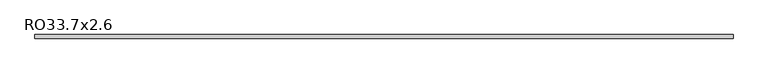
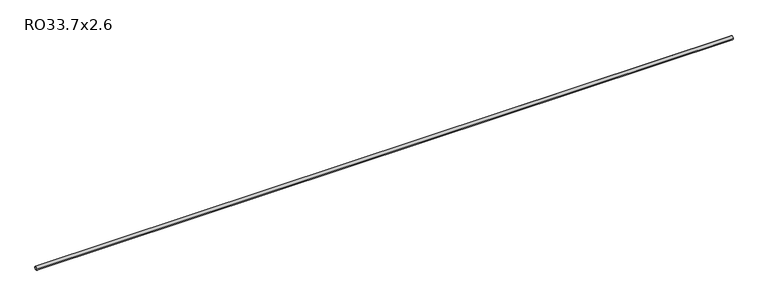
"""IFC4 building model written with IfcOpenShell, lengths in millimetres: beam geometry, RO33.7x2.6."""

import ifcopenshell
import ifcopenshell.guid

model = None  # the IFC model being written
_history = None  # IfcOwnerHistory: only IFC2X3 demands one
_inside = {}  # id of a spatial element -> (the spatial element, [elements in it])
_under = {}  # id of a project, library or spatial element -> (it, [spatial elements below it])
_declared = {}  # id of a project -> (the project, [libraries it declares])
_typed = {}  # id of a type object -> (the type object, [elements of that type])
_made_of = {}  # id of a material, layer set ... -> (it, [elements and type objects made of it])


def new_model(schema):
    """Start an empty IFC model of exactly this schema.

    Asked for "IFC4X3", IfcOpenShell would pick the latest addendum, in which some entities
    have other attributes; the version numbers below select the first issue.
    IFC2X3 requires an IfcOwnerHistory on every rooted entity: one is made here for all.
    """
    global model, _history
    if schema == "IFC4X3":
        model = ifcopenshell.file(schema_version=(4, 3, 0, 0))
    else:
        model = ifcopenshell.file(schema=schema)
    _inside.clear()
    _under.clear()
    _declared.clear()
    _typed.clear()
    _made_of.clear()
    _history = None
    if model.schema == "IFC2X3":
        org = make("IfcOrganization", Name="unknown")
        user = make(
            "IfcPersonAndOrganization",
            ThePerson=make("IfcPerson", FamilyName="unknown"),
            TheOrganization=org,
        )
        app = make(
            "IfcApplication",
            ApplicationDeveloper=org,
            Version="unknown",
            ApplicationFullName="unknown",
            ApplicationIdentifier="unknown",
        )
        _history = make(
            "IfcOwnerHistory",
            OwningUser=user,
            OwningApplication=app,
            ChangeAction="ADDED",
            CreationDate=0,
        )
    return model


def make(cls, **values):
    """One entity of the class cls with the attributes given. An attribute that is None is left unset."""
    return model.create_entity(
        cls, **{name: value for name, value in values.items() if value is not None}
    )


def rooted(cls, **values):
    """An entity with a GlobalId (a new one), such as an element, a storey or a relation."""
    return make(cls, GlobalId=ifcopenshell.guid.new(), OwnerHistory=_history, **values)


def si_unit(unit_type, name, prefix=None):
    """IfcSIUnit, for example si_unit("LENGTHUNIT", "METRE", prefix="MILLI")."""
    return make("IfcSIUnit", UnitType=unit_type, Prefix=prefix, Name=name)


def assignment(units):
    """IfcUnitAssignment: the units of a project."""
    return None if units is None else make("IfcUnitAssignment", Units=units)


def point(xyz):
    """IfcCartesianPoint."""
    return None if xyz is None else make("IfcCartesianPoint", Coordinates=xyz)


def direction(xyz):
    """IfcDirection."""
    return None if xyz is None else make("IfcDirection", DirectionRatios=xyz)


def frame(location, z_axis=None, x_axis=None):
    """IfcAxis2Placement3D, a coordinate frame: its origin and axes. An axis left out is left unset."""
    return make(
        "IfcAxis2Placement3D",
        Location=point(location),
        Axis=direction(z_axis),
        RefDirection=direction(x_axis),
    )


def frame_2d(location, x_axis=None):
    """IfcAxis2Placement2D, a coordinate frame in the plane: its origin and x axis."""
    return make(
        "IfcAxis2Placement2D", Location=point(location), RefDirection=direction(x_axis)
    )


def origin():
    """The frame at (0, 0, 0) with its axes left unset."""
    return frame((0.0, 0.0, 0.0))


def origin_2d():
    """The frame at (0, 0) in the plane with its x axis left unset."""
    return frame_2d((0.0, 0.0))


def place(relative_to, where):
    """IfcLocalPlacement: puts the frame where relative to a parent placement (None: the world)."""
    return make(
        "IfcLocalPlacement", PlacementRelTo=relative_to, RelativePlacement=where
    )


def context(
    kind, dimensions, precision=None, world=None, true_north=None, identifier=None
):
    """IfcGeometricRepresentationContext, for example the 3D "Model" context."""
    return make(
        "IfcGeometricRepresentationContext",
        ContextIdentifier=identifier,
        ContextType=kind,
        CoordinateSpaceDimension=dimensions,
        Precision=precision,
        WorldCoordinateSystem=world,
        TrueNorth=true_north,
    )


def project(units=None, contexts=None):
    """IfcProject with its units and contexts."""
    return rooted(
        "IfcProject",
        Name="project",
        RepresentationContexts=contexts,
        UnitsInContext=assignment(units),
    )


def spatial(cls, under=None, at=None, **own):
    """A site, building, storey or space (cls), placed at a placement, below another one or the project."""
    s = rooted(cls, ObjectPlacement=at, **own)
    if under is not None:
        _under.setdefault(under.id(), (under, []))[1].append(s)
    return s


def circle_curve(where, radius):
    """IfcCircle in the frame where."""
    return make("IfcCircle", Position=where, Radius=radius)


def trimmed(basis, trim1, trim2, sense, master):
    """IfcTrimmedCurve: the piece of a basis curve between two trims."""
    return make(
        "IfcTrimmedCurve",
        BasisCurve=basis,
        Trim1=trim1,
        Trim2=trim2,
        SenseAgreement=sense,
        MasterRepresentation=master,
    )


def segment(curve, same_sense, transition):
    """IfcCompositeCurveSegment."""
    return make(
        "IfcCompositeCurveSegment",
        Transition=transition,
        SameSense=same_sense,
        ParentCurve=curve,
    )


def composite_curve(segments, self_intersect=None):
    """IfcCompositeCurve: segments joined end to end."""
    return make("IfcCompositeCurve", Segments=segments, SelfIntersect=self_intersect)


def outline(outer, holes=None, kind="AREA"):
    """IfcArbitraryClosedProfileDef: a profile drawn as a closed curve; with holes, ...WithVoids."""
    if holes is None:
        return make("IfcArbitraryClosedProfileDef", ProfileType=kind, OuterCurve=outer)
    return make(
        "IfcArbitraryProfileDefWithVoids",
        ProfileType=kind,
        OuterCurve=outer,
        InnerCurves=holes,
    )


def extrude(swept, where, along, depth):
    """IfcExtrudedAreaSolid: the profile swept, set in the frame where, extruded along a direction by depth."""
    return make(
        "IfcExtrudedAreaSolid",
        SweptArea=swept,
        Position=where,
        ExtrudedDirection=direction(along),
        Depth=depth,
    )


def shape(context_of_items, identifier, shape_type, items):
    """IfcShapeRepresentation: the items that make up one representation, for example the "Body"."""
    return make(
        "IfcShapeRepresentation",
        ContextOfItems=context_of_items,
        RepresentationIdentifier=identifier,
        RepresentationType=shape_type,
        Items=items,
    )


def source(mapping_origin, context_of_items, identifier, shape_type, items):
    """IfcRepresentationMap: a shape defined once, which mapped items show again and again."""
    return make(
        "IfcRepresentationMap",
        MappingOrigin=mapping_origin,
        MappedRepresentation=shape(context_of_items, identifier, shape_type, items),
    )


def transform(
    local_origin,
    x_axis=None,
    y_axis=None,
    z_axis=None,
    scale=None,
    scale2=None,
    scale3=None,
    uniform=True,
):
    """IfcCartesianTransformationOperator3D, or its non-uniform kind. x_axis, y_axis, z_axis: its Axis1, 2, 3."""
    if uniform:
        return make(
            "IfcCartesianTransformationOperator3D",
            Axis1=direction(x_axis),
            Axis2=direction(y_axis),
            LocalOrigin=point(local_origin),
            Scale=scale,
            Axis3=direction(z_axis),
        )
    return make(
        "IfcCartesianTransformationOperator3DnonUniform",
        Axis1=direction(x_axis),
        Axis2=direction(y_axis),
        LocalOrigin=point(local_origin),
        Scale=scale,
        Axis3=direction(z_axis),
        Scale2=scale2,
        Scale3=scale3,
    )


def mapped(mapping_source, mapping_target):
    """IfcMappedItem: shows the shape of a source again, moved by a transform."""
    return make(
        "IfcMappedItem", MappingSource=mapping_source, MappingTarget=mapping_target
    )


def made_of(thing, what):
    """Note that an element or type object is made of a material, layer set ...; save() writes the relation."""
    if what is not None:
        _made_of.setdefault(what.id(), (what, []))[1].append(thing)
    return thing


def element(
    cls,
    number,
    at=None,
    inside=None,
    cuts=None,
    type_object=None,
    material=None,
    context=None,
    identifier="Body",
    shape_type=None,
    held_by="IfcProductDefinitionShape",
    body=None,
    shapes=None,
    **own,
):
    """One element of the class cls, such as IfcWall. Its Tag is "e" and its number.

    at: its placement. inside: the storey or other place that contains it. cuts: it is an
    opening in that element (IfcRelVoidsElement). A single representation is given by context,
    identifier, shape_type and body (its items); several are given by shapes. held_by: the class
    of the entity that holds the representations. save() writes the other relations.
    """
    e = rooted(cls, Tag="e%d" % number, ObjectPlacement=at, **own)
    if body is not None:
        shapes = [shape(context, identifier, shape_type, body)]
    if shapes is not None:
        e.Representation = make(held_by, Representations=shapes)
    if inside is not None:
        _inside.setdefault(inside.id(), (inside, []))[1].append(e)
    if cuts is not None:
        rooted(
            "IfcRelVoidsElement", RelatingBuildingElement=cuts, RelatedOpeningElement=e
        )
    if type_object is not None:
        _typed.setdefault(type_object.id(), (type_object, []))[1].append(e)
    return made_of(e, material)


def aggregate(whole, parts):
    """IfcRelAggregates: a whole, such as a stair, and the parts it consists of."""
    return rooted("IfcRelAggregates", RelatingObject=whole, RelatedObjects=parts)


def save(model, path):
    """Write the relations noted so far, then the file.

    IfcRelAggregates (storeys below a building ...), IfcRelContainedInSpatialStructure (elements
    in a storey), IfcRelDefinesByType, IfcRelAssociatesMaterial and IfcRelDeclares: one each for
    every whole, place, type object, material and project.
    """
    for whole, parts in _under.values():
        aggregate(whole, parts)
    for where, things in _inside.values():
        rooted(
            "IfcRelContainedInSpatialStructure",
            RelatedElements=things,
            RelatingStructure=where,
        )
    for kind, things in _typed.values():
        rooted("IfcRelDefinesByType", RelatedObjects=things, RelatingType=kind)
    for what, things in _made_of.values():
        rooted("IfcRelAssociatesMaterial", RelatedObjects=things, RelatingMaterial=what)
    for by, libraries in _declared.values():
        rooted("IfcRelDeclares", RelatingContext=by, RelatedDefinitions=libraries)
    model.write(path)


def ro33_7x2_6_9a766258(model_context):
    return source(origin(), model_context, "Body", "SweptSolid", [
        extrude(outline(composite_curve([segment(trimmed(circle_curve(origin_2d(), 16.85), [point((-16.85, 0.0))], [point((16.85, 0.0))], False, "CARTESIAN"), True, "CONTINUOUS"), segment(trimmed(circle_curve(origin_2d(), 16.85), [point((16.85, 0.0))], [point((-16.85, 0.0))], False, "CARTESIAN"), True, "CONTINUOUS")], self_intersect=False), holes=[composite_curve([segment(trimmed(circle_curve(origin_2d(), 14.25), [point((14.25, 0.0))], [point((-14.25, 0.0))], True, "CARTESIAN"), True, "CONTINUOUS"), segment(trimmed(circle_curve(origin_2d(), 14.25), [point((-14.25, 0.0))], [point((14.25, 0.0))], True, "CARTESIAN"), True, "CONTINUOUS")], self_intersect=False)]), frame((-2758.5, 0.0, 0.0), z_axis=(1.0, 0.0, 0.0), x_axis=(0.0, 1.0, 0.0)), (0.0, 0.0, 1.0), 6537.0),
    ])


if __name__ == "__main__":
    model = new_model("IFC4")
    model_context = context("Model", 3, world=origin())
    ifc_project = project(units=[si_unit("LENGTHUNIT", "METRE", prefix="MILLI")], contexts=[model_context])
    site = spatial("IfcSite", under=ifc_project)
    building = spatial("IfcBuilding", under=site)
    placement = place(None, origin())
    ro33_7x2_6_shape = ro33_7x2_6_9a766258(model_context)
    element("IfcBeam", 1, ObjectType="RO33.7x2.6", at=placement, inside=building, context=model_context, shape_type="MappedRepresentation", body=[
        mapped(ro33_7x2_6_shape, transform((0.0, 0.0, 0.0), x_axis=(1.0, 0.0, 0.0), y_axis=(0.0, 1.0, 0.0), z_axis=(0.0, 0.0, 1.0))),
    ])
    save(model, "model.ifc")
